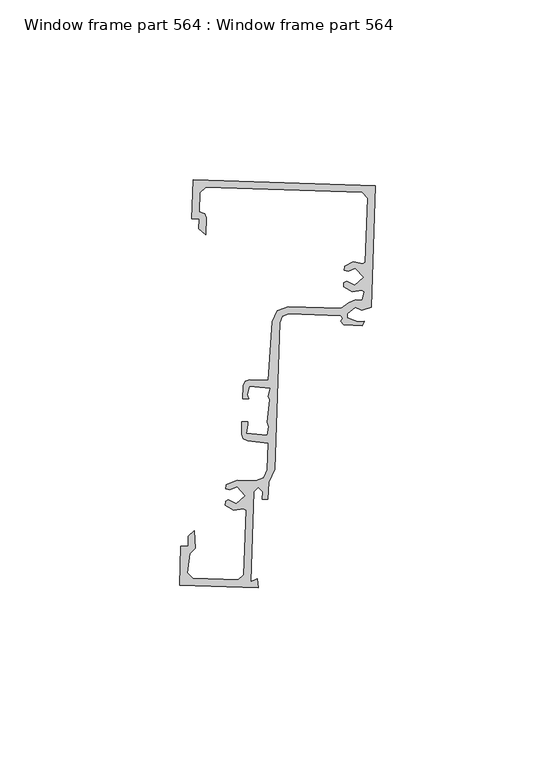
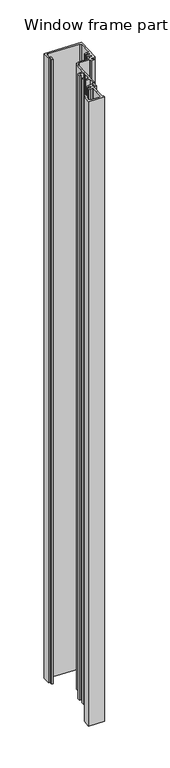
"""IFC4 building model written with IfcOpenShell, lengths in millimetres: proxy geometry, Window frame part 564 : Window frame part 564."""

import ifcopenshell
import ifcopenshell.guid

model = None  # the IFC model being written
_history = None  # IfcOwnerHistory: only IFC2X3 demands one
_inside = {}  # id of a spatial element -> (the spatial element, [elements in it])
_under = {}  # id of a project, library or spatial element -> (it, [spatial elements below it])
_declared = {}  # id of a project -> (the project, [libraries it declares])
_typed = {}  # id of a type object -> (the type object, [elements of that type])
_made_of = {}  # id of a material, layer set ... -> (it, [elements and type objects made of it])


def new_model(schema):
    """Start an empty IFC model of exactly this schema.

    Asked for "IFC4X3", IfcOpenShell would pick the latest addendum, in which some entities
    have other attributes; the version numbers below select the first issue.
    IFC2X3 requires an IfcOwnerHistory on every rooted entity: one is made here for all.
    """
    global model, _history
    if schema == "IFC4X3":
        model = ifcopenshell.file(schema_version=(4, 3, 0, 0))
    else:
        model = ifcopenshell.file(schema=schema)
    _inside.clear()
    _under.clear()
    _declared.clear()
    _typed.clear()
    _made_of.clear()
    _history = None
    if model.schema == "IFC2X3":
        org = make("IfcOrganization", Name="unknown")
        user = make(
            "IfcPersonAndOrganization",
            ThePerson=make("IfcPerson", FamilyName="unknown"),
            TheOrganization=org,
        )
        app = make(
            "IfcApplication",
            ApplicationDeveloper=org,
            Version="unknown",
            ApplicationFullName="unknown",
            ApplicationIdentifier="unknown",
        )
        _history = make(
            "IfcOwnerHistory",
            OwningUser=user,
            OwningApplication=app,
            ChangeAction="ADDED",
            CreationDate=0,
        )
    return model


def make(cls, **values):
    """One entity of the class cls with the attributes given. An attribute that is None is left unset."""
    return model.create_entity(
        cls, **{name: value for name, value in values.items() if value is not None}
    )


def rooted(cls, **values):
    """An entity with a GlobalId (a new one), such as an element, a storey or a relation."""
    return make(cls, GlobalId=ifcopenshell.guid.new(), OwnerHistory=_history, **values)


def si_unit(unit_type, name, prefix=None):
    """IfcSIUnit, for example si_unit("LENGTHUNIT", "METRE", prefix="MILLI")."""
    return make("IfcSIUnit", UnitType=unit_type, Prefix=prefix, Name=name)


def assignment(units):
    """IfcUnitAssignment: the units of a project."""
    return None if units is None else make("IfcUnitAssignment", Units=units)


def point(xyz):
    """IfcCartesianPoint."""
    return None if xyz is None else make("IfcCartesianPoint", Coordinates=xyz)


def direction(xyz):
    """IfcDirection."""
    return None if xyz is None else make("IfcDirection", DirectionRatios=xyz)


def frame(location, z_axis=None, x_axis=None):
    """IfcAxis2Placement3D, a coordinate frame: its origin and axes. An axis left out is left unset."""
    return make(
        "IfcAxis2Placement3D",
        Location=point(location),
        Axis=direction(z_axis),
        RefDirection=direction(x_axis),
    )


def origin():
    """The frame at (0, 0, 0) with its axes left unset."""
    return frame((0.0, 0.0, 0.0))


def place(relative_to, where):
    """IfcLocalPlacement: puts the frame where relative to a parent placement (None: the world)."""
    return make(
        "IfcLocalPlacement", PlacementRelTo=relative_to, RelativePlacement=where
    )


def context(
    kind, dimensions, precision=None, world=None, true_north=None, identifier=None
):
    """IfcGeometricRepresentationContext, for example the 3D "Model" context."""
    return make(
        "IfcGeometricRepresentationContext",
        ContextIdentifier=identifier,
        ContextType=kind,
        CoordinateSpaceDimension=dimensions,
        Precision=precision,
        WorldCoordinateSystem=world,
        TrueNorth=true_north,
    )


def project(units=None, contexts=None):
    """IfcProject with its units and contexts."""
    return rooted(
        "IfcProject",
        Name="project",
        RepresentationContexts=contexts,
        UnitsInContext=assignment(units),
    )


def spatial(cls, under=None, at=None, **own):
    """A site, building, storey or space (cls), placed at a placement, below another one or the project."""
    s = rooted(cls, ObjectPlacement=at, **own)
    if under is not None:
        _under.setdefault(under.id(), (under, []))[1].append(s)
    return s


def polyline(points):
    """IfcPolyline through the points."""
    return make("IfcPolyline", Points=[point(p) for p in points])


def outline(outer, holes=None, kind="AREA"):
    """IfcArbitraryClosedProfileDef: a profile drawn as a closed curve; with holes, ...WithVoids."""
    if holes is None:
        return make("IfcArbitraryClosedProfileDef", ProfileType=kind, OuterCurve=outer)
    return make(
        "IfcArbitraryProfileDefWithVoids",
        ProfileType=kind,
        OuterCurve=outer,
        InnerCurves=holes,
    )


def extrude(swept, where, along, depth):
    """IfcExtrudedAreaSolid: the profile swept, set in the frame where, extruded along a direction by depth."""
    return make(
        "IfcExtrudedAreaSolid",
        SweptArea=swept,
        Position=where,
        ExtrudedDirection=direction(along),
        Depth=depth,
    )


def shape(context_of_items, identifier, shape_type, items):
    """IfcShapeRepresentation: the items that make up one representation, for example the "Body"."""
    return make(
        "IfcShapeRepresentation",
        ContextOfItems=context_of_items,
        RepresentationIdentifier=identifier,
        RepresentationType=shape_type,
        Items=items,
    )


def source(mapping_origin, context_of_items, identifier, shape_type, items):
    """IfcRepresentationMap: a shape defined once, which mapped items show again and again."""
    return make(
        "IfcRepresentationMap",
        MappingOrigin=mapping_origin,
        MappedRepresentation=shape(context_of_items, identifier, shape_type, items),
    )


def transform(
    local_origin,
    x_axis=None,
    y_axis=None,
    z_axis=None,
    scale=None,
    scale2=None,
    scale3=None,
    uniform=True,
):
    """IfcCartesianTransformationOperator3D, or its non-uniform kind. x_axis, y_axis, z_axis: its Axis1, 2, 3."""
    if uniform:
        return make(
            "IfcCartesianTransformationOperator3D",
            Axis1=direction(x_axis),
            Axis2=direction(y_axis),
            LocalOrigin=point(local_origin),
            Scale=scale,
            Axis3=direction(z_axis),
        )
    return make(
        "IfcCartesianTransformationOperator3DnonUniform",
        Axis1=direction(x_axis),
        Axis2=direction(y_axis),
        LocalOrigin=point(local_origin),
        Scale=scale,
        Axis3=direction(z_axis),
        Scale2=scale2,
        Scale3=scale3,
    )


def mapped(mapping_source, mapping_target):
    """IfcMappedItem: shows the shape of a source again, moved by a transform."""
    return make(
        "IfcMappedItem", MappingSource=mapping_source, MappingTarget=mapping_target
    )


def made_of(thing, what):
    """Note that an element or type object is made of a material, layer set ...; save() writes the relation."""
    if what is not None:
        _made_of.setdefault(what.id(), (what, []))[1].append(thing)
    return thing


def element(
    cls,
    number,
    at=None,
    inside=None,
    cuts=None,
    type_object=None,
    material=None,
    context=None,
    identifier="Body",
    shape_type=None,
    held_by="IfcProductDefinitionShape",
    body=None,
    shapes=None,
    **own,
):
    """One element of the class cls, such as IfcWall. Its Tag is "e" and its number.

    at: its placement. inside: the storey or other place that contains it. cuts: it is an
    opening in that element (IfcRelVoidsElement). A single representation is given by context,
    identifier, shape_type and body (its items); several are given by shapes. held_by: the class
    of the entity that holds the representations. save() writes the other relations.
    """
    e = rooted(cls, Tag="e%d" % number, ObjectPlacement=at, **own)
    if body is not None:
        shapes = [shape(context, identifier, shape_type, body)]
    if shapes is not None:
        e.Representation = make(held_by, Representations=shapes)
    if inside is not None:
        _inside.setdefault(inside.id(), (inside, []))[1].append(e)
    if cuts is not None:
        rooted(
            "IfcRelVoidsElement", RelatingBuildingElement=cuts, RelatedOpeningElement=e
        )
    if type_object is not None:
        _typed.setdefault(type_object.id(), (type_object, []))[1].append(e)
    return made_of(e, material)


def aggregate(whole, parts):
    """IfcRelAggregates: a whole, such as a stair, and the parts it consists of."""
    return rooted("IfcRelAggregates", RelatingObject=whole, RelatedObjects=parts)


def save(model, path):
    """Write the relations noted so far, then the file.

    IfcRelAggregates (storeys below a building ...), IfcRelContainedInSpatialStructure (elements
    in a storey), IfcRelDefinesByType, IfcRelAssociatesMaterial and IfcRelDeclares: one each for
    every whole, place, type object, material and project.
    """
    for whole, parts in _under.values():
        aggregate(whole, parts)
    for where, things in _inside.values():
        rooted(
            "IfcRelContainedInSpatialStructure",
            RelatedElements=things,
            RelatingStructure=where,
        )
    for kind, things in _typed.values():
        rooted("IfcRelDefinesByType", RelatedObjects=things, RelatingType=kind)
    for what, things in _made_of.values():
        rooted("IfcRelAssociatesMaterial", RelatedObjects=things, RelatingMaterial=what)
    for by, libraries in _declared.values():
        rooted("IfcRelDeclares", RelatingContext=by, RelatedDefinitions=libraries)
    model.write(path)


def window_frame_part_564_window_frame_part_564_5b1b782f(model_context):
    return source(origin(), model_context, "Body", "SweptSolid", [
        extrude(outline(polyline([(32732.4761825, -15481.1529803), (32710.5935116, -15480.4242966), (32710.9576777, -15469.4882378), (32712.988552, -15469.5558651), (32713.0798488, -15466.8141847), (32714.7061876, -15465.2926683), (32715.0042102, -15470.0804391), (32713.3778715, -15471.6019556), (32712.7427336, -15476.9378938), (32714.2151689, -15478.51177), (32726.9589053, -15478.936131), (32728.5327815, -15477.4636957), (32729.1287994, -15459.5650338), (32728.3944429, -15459.0934852), (32725.7225117, -15459.4562039), (32723.382637, -15458.1161415), (32723.4198028, -15457.0000369), (32724.182585, -15456.5928726), (32726.4443737, -15457.7543522), (32728.9363442, -15455.4229963), (32726.6049884, -15452.9310258), (32724.6070489, -15453.8780199), (32723.5369366, -15453.4824593), (32723.5741025, -15452.3663547), (32726.6641623, -15451.1540108), (32731.7667342, -15451.3239243), (32734.0415038, -15450.4692218), (32735.0456429, -15448.2563507), (32735.2896952, -15440.9273604), (32729.594768, -15440.2294402), (32728.3555602, -15439.6671223), (32727.8769268, -15438.3932513), (32727.9961198, -15434.8138353), (32729.6588982, -15434.8692051), (32729.6262438, -15435.6559013), (32729.1589033, -15438.0547294), (32734.9849869, -15438.6299467), (32735.4460832, -15436.2309635), (32735.091487, -15435.050108), (32735.6963041, -15428.7167285), (32735.3354765, -15427.9169298), (32735.802817, -15425.5181014), (32729.9767334, -15424.9428841), (32729.5156371, -15427.3418673), (32729.8702333, -15428.5227228), (32728.207455, -15428.467353), (32728.326648, -15424.887937), (32728.8889659, -15423.6487291), (32730.1628369, -15423.1700958), (32735.3669524, -15423.3433906), (32736.4199157, -15406.9863753), (32737.7855448, -15403.9768708), (32740.8791942, -15402.8144741), (32755.7060688, -15403.3080734), (32757.7293845, -15401.6686298), (32759.6409994, -15400.949923), (32761.5246354, -15401.0126473), (32762.1090946, -15398.7250002), (32761.3520362, -15398.2512135), (32758.6905875, -15398.5999849), (32756.3633882, -15397.2624146), (32756.400554, -15396.1463101), (32757.1633362, -15395.7391458), (32759.4251248, -15396.9006253), (32761.9170954, -15394.5692695), (32759.5857396, -15392.0772989), (32757.5878001, -15393.0242931), (32756.5176878, -15392.6287324), (32756.5548536, -15391.5126278), (32758.96588, -15390.3328385), (32761.5982307, -15390.8578913), (32762.3851309, -15390.4355178), (32762.9796005, -15372.5833512), (32761.5071652, -15371.009475), (32717.843367, -15369.555489), (32716.2694908, -15371.0279243), (32716.0909525, -15376.3895051), (32717.6454832, -15376.9027743), (32718.0694157, -15378.0310599), (32717.9104916, -15382.8036146), (32715.9320284, -15381.1620598), (32716.0233252, -15378.4203794), (32713.9924509, -15378.3527522), (32714.3569642, -15367.4062669), (32765.1288225, -15369.0969484), (32764.001544, -15402.949585), (32761.3690284, -15403.7776002), (32759.5733722, -15402.9807974), (32757.3707831, -15404.7880939), (32757.3353211, -15405.8530336), (32760.2953564, -15407.0189928), (32761.2600217, -15407.0511158), (32762.0799795, -15406.8496933), (32761.5308392, -15408.076697), (32756.4030085, -15407.9059425), (32755.4703434, -15406.909023), (32756.0601115, -15405.9883412), (32755.4339001, -15405.3322637), (32741.0654637, -15404.8538008), (32739.2456479, -15405.5375629), (32738.4423367, -15407.3078597), (32737.0824346, -15448.1462765), (32735.3879578, -15451.7140091), (32735.2303899, -15456.445836), (32733.6564623, -15456.3934249), (32733.7223989, -15454.4133224), (32732.5689913, -15453.1804527), (32731.3361216, -15454.3338604), (32730.4985009, -15479.4879529), (32732.1803101, -15478.5902227), (32732.4761825, -15481.1529803)])), frame((0.0, 0.0, 1597.975708), z_axis=(0.0, 0.0, 1.0), x_axis=(1.0, 0.0, 0.0)), (0.0, 0.0, 1.0), 914.4),
    ])


if __name__ == "__main__":
    model = new_model("IFC4")
    model_context = context("Model", 3, world=origin())
    ifc_project = project(units=[si_unit("LENGTHUNIT", "METRE", prefix="MILLI")], contexts=[model_context])
    site = spatial("IfcSite", under=ifc_project)
    building = spatial("IfcBuilding", under=site)
    placement = place(None, origin())
    window_frame_part_564_window_frame_part_564_shape = window_frame_part_564_window_frame_part_564_5b1b782f(model_context)
    element("IfcBuildingElementProxy", 1, Name="Window frame part 564 : Window frame part 564", ObjectType="Window frame part 564 : Window frame part 564", at=placement, inside=building, context=model_context, shape_type="MappedRepresentation", body=[
        mapped(window_frame_part_564_window_frame_part_564_shape, transform((0.0, 0.0, 0.0), x_axis=(1.0, 0.0, 0.0), y_axis=(0.0, 1.0, 0.0), z_axis=(0.0, 0.0, 1.0))),
    ])
    save(model, "model.ifc")
